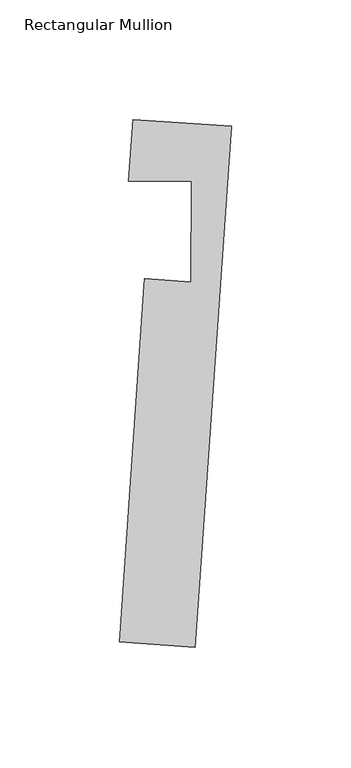
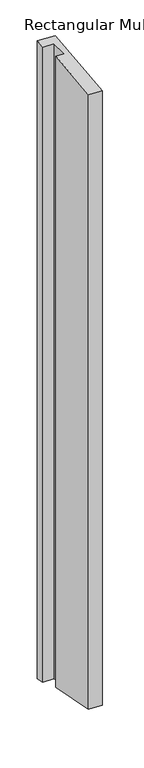
"""IFC4 building model written with IfcOpenShell, lengths in millimetres: member geometry, Rectangular Mullion."""

import ifcopenshell
import ifcopenshell.guid

model = None  # the IFC model being written
_history = None  # IfcOwnerHistory: only IFC2X3 demands one
_inside = {}  # id of a spatial element -> (the spatial element, [elements in it])
_under = {}  # id of a project, library or spatial element -> (it, [spatial elements below it])
_declared = {}  # id of a project -> (the project, [libraries it declares])
_typed = {}  # id of a type object -> (the type object, [elements of that type])
_made_of = {}  # id of a material, layer set ... -> (it, [elements and type objects made of it])


def new_model(schema):
    """Start an empty IFC model of exactly this schema.

    Asked for "IFC4X3", IfcOpenShell would pick the latest addendum, in which some entities
    have other attributes; the version numbers below select the first issue.
    IFC2X3 requires an IfcOwnerHistory on every rooted entity: one is made here for all.
    """
    global model, _history
    if schema == "IFC4X3":
        model = ifcopenshell.file(schema_version=(4, 3, 0, 0))
    else:
        model = ifcopenshell.file(schema=schema)
    _inside.clear()
    _under.clear()
    _declared.clear()
    _typed.clear()
    _made_of.clear()
    _history = None
    if model.schema == "IFC2X3":
        org = make("IfcOrganization", Name="unknown")
        user = make(
            "IfcPersonAndOrganization",
            ThePerson=make("IfcPerson", FamilyName="unknown"),
            TheOrganization=org,
        )
        app = make(
            "IfcApplication",
            ApplicationDeveloper=org,
            Version="unknown",
            ApplicationFullName="unknown",
            ApplicationIdentifier="unknown",
        )
        _history = make(
            "IfcOwnerHistory",
            OwningUser=user,
            OwningApplication=app,
            ChangeAction="ADDED",
            CreationDate=0,
        )
    return model


def make(cls, **values):
    """One entity of the class cls with the attributes given. An attribute that is None is left unset."""
    return model.create_entity(
        cls, **{name: value for name, value in values.items() if value is not None}
    )


def rooted(cls, **values):
    """An entity with a GlobalId (a new one), such as an element, a storey or a relation."""
    return make(cls, GlobalId=ifcopenshell.guid.new(), OwnerHistory=_history, **values)


def si_unit(unit_type, name, prefix=None):
    """IfcSIUnit, for example si_unit("LENGTHUNIT", "METRE", prefix="MILLI")."""
    return make("IfcSIUnit", UnitType=unit_type, Prefix=prefix, Name=name)


def assignment(units):
    """IfcUnitAssignment: the units of a project."""
    return None if units is None else make("IfcUnitAssignment", Units=units)


def point(xyz):
    """IfcCartesianPoint."""
    return None if xyz is None else make("IfcCartesianPoint", Coordinates=xyz)


def direction(xyz):
    """IfcDirection."""
    return None if xyz is None else make("IfcDirection", DirectionRatios=xyz)


def frame(location, z_axis=None, x_axis=None):
    """IfcAxis2Placement3D, a coordinate frame: its origin and axes. An axis left out is left unset."""
    return make(
        "IfcAxis2Placement3D",
        Location=point(location),
        Axis=direction(z_axis),
        RefDirection=direction(x_axis),
    )


def origin():
    """The frame at (0, 0, 0) with its axes left unset."""
    return frame((0.0, 0.0, 0.0))


def place(relative_to, where):
    """IfcLocalPlacement: puts the frame where relative to a parent placement (None: the world)."""
    return make(
        "IfcLocalPlacement", PlacementRelTo=relative_to, RelativePlacement=where
    )


def context(
    kind, dimensions, precision=None, world=None, true_north=None, identifier=None
):
    """IfcGeometricRepresentationContext, for example the 3D "Model" context."""
    return make(
        "IfcGeometricRepresentationContext",
        ContextIdentifier=identifier,
        ContextType=kind,
        CoordinateSpaceDimension=dimensions,
        Precision=precision,
        WorldCoordinateSystem=world,
        TrueNorth=true_north,
    )


def project(units=None, contexts=None):
    """IfcProject with its units and contexts."""
    return rooted(
        "IfcProject",
        Name="project",
        RepresentationContexts=contexts,
        UnitsInContext=assignment(units),
    )


def spatial(cls, under=None, at=None, **own):
    """A site, building, storey or space (cls), placed at a placement, below another one or the project."""
    s = rooted(cls, ObjectPlacement=at, **own)
    if under is not None:
        _under.setdefault(under.id(), (under, []))[1].append(s)
    return s


def faces_of(points, faces, orient=None, outer=None):
    """IfcFace entities. A face is a list of loops; a loop is a list of indices into points, from 0.

    orient and outer hold one flag for each loop. By default every Orientation is true, the
    first loop of a face is its IfcFaceOuterBound and the others are IfcFaceBound.
    """
    made = []
    for i, loops in enumerate(faces):
        bounds = []
        for j, loop in enumerate(loops):
            is_outer = j == 0 if outer is None else outer[i][j]
            bounds.append(
                make(
                    "IfcFaceOuterBound" if is_outer else "IfcFaceBound",
                    Bound=make("IfcPolyLoop", Polygon=[points[k] for k in loop]),
                    Orientation=True if orient is None else orient[i][j],
                )
            )
        made.append(make("IfcFace", Bounds=bounds))
    return made


def faceted_brep(points, faces, orient=None, outer=None, voids=None):
    """IfcFacetedBrep: a solid bounded by flat faces; with voids (closed shells), ...WithVoids."""
    shared = [point(p) for p in points]
    hull = make("IfcClosedShell", CfsFaces=faces_of(shared, faces, orient, outer))
    if voids is None:
        return make("IfcFacetedBrep", Outer=hull)
    return make(
        "IfcFacetedBrepWithVoids",
        Outer=hull,
        Voids=[
            make(cls, CfsFaces=faces_of(shared, fs, o, b)) for cls, fs, o, b in voids
        ],
    )


def shape(context_of_items, identifier, shape_type, items):
    """IfcShapeRepresentation: the items that make up one representation, for example the "Body"."""
    return make(
        "IfcShapeRepresentation",
        ContextOfItems=context_of_items,
        RepresentationIdentifier=identifier,
        RepresentationType=shape_type,
        Items=items,
    )


def source(mapping_origin, context_of_items, identifier, shape_type, items):
    """IfcRepresentationMap: a shape defined once, which mapped items show again and again."""
    return make(
        "IfcRepresentationMap",
        MappingOrigin=mapping_origin,
        MappedRepresentation=shape(context_of_items, identifier, shape_type, items),
    )


def transform(
    local_origin,
    x_axis=None,
    y_axis=None,
    z_axis=None,
    scale=None,
    scale2=None,
    scale3=None,
    uniform=True,
):
    """IfcCartesianTransformationOperator3D, or its non-uniform kind. x_axis, y_axis, z_axis: its Axis1, 2, 3."""
    if uniform:
        return make(
            "IfcCartesianTransformationOperator3D",
            Axis1=direction(x_axis),
            Axis2=direction(y_axis),
            LocalOrigin=point(local_origin),
            Scale=scale,
            Axis3=direction(z_axis),
        )
    return make(
        "IfcCartesianTransformationOperator3DnonUniform",
        Axis1=direction(x_axis),
        Axis2=direction(y_axis),
        LocalOrigin=point(local_origin),
        Scale=scale,
        Axis3=direction(z_axis),
        Scale2=scale2,
        Scale3=scale3,
    )


def mapped(mapping_source, mapping_target):
    """IfcMappedItem: shows the shape of a source again, moved by a transform."""
    return make(
        "IfcMappedItem", MappingSource=mapping_source, MappingTarget=mapping_target
    )


def made_of(thing, what):
    """Note that an element or type object is made of a material, layer set ...; save() writes the relation."""
    if what is not None:
        _made_of.setdefault(what.id(), (what, []))[1].append(thing)
    return thing


def element(
    cls,
    number,
    at=None,
    inside=None,
    cuts=None,
    type_object=None,
    material=None,
    context=None,
    identifier="Body",
    shape_type=None,
    held_by="IfcProductDefinitionShape",
    body=None,
    shapes=None,
    **own,
):
    """One element of the class cls, such as IfcWall. Its Tag is "e" and its number.

    at: its placement. inside: the storey or other place that contains it. cuts: it is an
    opening in that element (IfcRelVoidsElement). A single representation is given by context,
    identifier, shape_type and body (its items); several are given by shapes. held_by: the class
    of the entity that holds the representations. save() writes the other relations.
    """
    e = rooted(cls, Tag="e%d" % number, ObjectPlacement=at, **own)
    if body is not None:
        shapes = [shape(context, identifier, shape_type, body)]
    if shapes is not None:
        e.Representation = make(held_by, Representations=shapes)
    if inside is not None:
        _inside.setdefault(inside.id(), (inside, []))[1].append(e)
    if cuts is not None:
        rooted(
            "IfcRelVoidsElement", RelatingBuildingElement=cuts, RelatedOpeningElement=e
        )
    if type_object is not None:
        _typed.setdefault(type_object.id(), (type_object, []))[1].append(e)
    return made_of(e, material)


def aggregate(whole, parts):
    """IfcRelAggregates: a whole, such as a stair, and the parts it consists of."""
    return rooted("IfcRelAggregates", RelatingObject=whole, RelatedObjects=parts)


def save(model, path):
    """Write the relations noted so far, then the file.

    IfcRelAggregates (storeys below a building ...), IfcRelContainedInSpatialStructure (elements
    in a storey), IfcRelDefinesByType, IfcRelAssociatesMaterial and IfcRelDeclares: one each for
    every whole, place, type object, material and project.
    """
    for whole, parts in _under.values():
        aggregate(whole, parts)
    for where, things in _inside.values():
        rooted(
            "IfcRelContainedInSpatialStructure",
            RelatedElements=things,
            RelatingStructure=where,
        )
    for kind, things in _typed.values():
        rooted("IfcRelDefinesByType", RelatedObjects=things, RelatingType=kind)
    for what, things in _made_of.values():
        rooted("IfcRelAssociatesMaterial", RelatedObjects=things, RelatingMaterial=what)
    for by, libraries in _declared.values():
        rooted("IfcRelDeclares", RelatingContext=by, RelatedDefinitions=libraries)
    model.write(path)


def rectangular_mullion_69b23e26(model_context):
    return source(origin(), model_context, "Body", "Brep", [
        faceted_brep([(-31.7845604, 0.6024293, 0.0), (-42.3358434, -151.4318775, 0.0), (-10.6620295, -153.6300614, 0.0), (4.4612466, 64.2824696, 0.0), (-36.7141782, 67.1400717, 0.0), (-38.5049705, 41.3363977, 0.0), (-12.2093568, 41.2771937, 0.0), (-12.3039791, -0.7495362, 0.0), (-31.7845604, 0.6024293, -1574.8794833), (-42.3358434, -151.4318775, -1534.0780541), (-10.6620295, -153.6300614, -1534.0776284), (4.4612466, 64.2824696, -1592.5587891), (-36.7141782, 67.1400717, -1592.5593424), (-38.5049705, 41.3363977, -1585.6344133), (-12.2093568, 41.2771937, -1586.1056588), (-12.3039791, -0.7495362, -1574.8792215)], [[[0, 1, 2, 3, 4, 5, 6, 7]], [[1, 0, 8, 9]], [[2, 1, 9, 10]], [[3, 2, 10, 11]], [[4, 3, 11, 12]], [[5, 4, 12, 13]], [[6, 5, 13, 14]], [[7, 6, 14, 15]], [[0, 7, 15, 8]], [[8, 15, 14, 13, 12, 11, 10, 9]]]),
    ])


if __name__ == "__main__":
    model = new_model("IFC4")
    model_context = context("Model", 3, world=origin())
    ifc_project = project(units=[si_unit("LENGTHUNIT", "METRE", prefix="MILLI")], contexts=[model_context])
    site = spatial("IfcSite", under=ifc_project)
    building = spatial("IfcBuilding", under=site)
    placement = place(None, origin())
    rectangular_mullion_shape = rectangular_mullion_69b23e26(model_context)
    element("IfcMember", 1, ObjectType="Rectangular Mullion", at=placement, inside=building, context=model_context, shape_type="MappedRepresentation", body=[
        mapped(rectangular_mullion_shape, transform((0.0, 0.0, 0.0), x_axis=(1.0, 0.0, 0.0), y_axis=(0.0, 1.0, 0.0), z_axis=(0.0, 0.0, 1.0))),
    ])
    save(model, "model.ifc")
